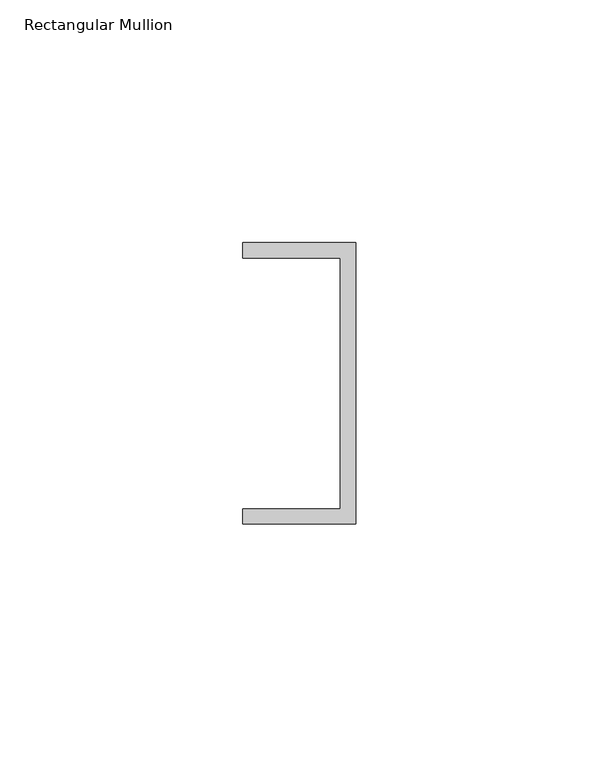
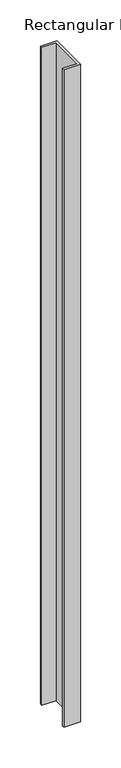
"""IFC4 building model written with IfcOpenShell, lengths in millimetres: member geometry, Rectangular Mullion."""

from ifc_helpers import new_model, si_unit, frame, origin, place, context, project, spatial, polyline, outline, extrude, source, transform, mapped, element, save


def rectangular_mullion_6b0b23d2(model_context):
    return source(origin(), model_context, "Body", "SweptSolid", [
        extrude(outline(polyline([(0.0, 29.0214844), (0.0, -29.0214844), (-23.3164063, -29.0214844), (-23.3164063, -25.8464844), (-3.175, -25.8464844), (-3.175, 25.8464844), (-23.3164063, 25.8464844), (-23.3164063, 29.0214844), (0.0, 29.0214844)])), frame((0.0, 0.0, -988.0203125), z_axis=(0.0, 0.0, 1.0), x_axis=(1.0, 0.0, 0.0)), (0.0, 0.0, 1.0), 988.0203125),
    ])


if __name__ == "__main__":
    model = new_model("IFC4")
    model_context = context("Model", 3, world=origin())
    ifc_project = project(units=[si_unit("LENGTHUNIT", "METRE", prefix="MILLI")], contexts=[model_context])
    site = spatial("IfcSite", under=ifc_project)
    building = spatial("IfcBuilding", under=site)
    placement = place(None, origin())
    rectangular_mullion_shape = rectangular_mullion_6b0b23d2(model_context)
    element("IfcMember", 1, ObjectType="Rectangular Mullion", at=placement, inside=building, context=model_context, shape_type="MappedRepresentation", body=[
        mapped(rectangular_mullion_shape, transform((0.0, 0.0, 0.0), x_axis=(1.0, 0.0, 0.0), y_axis=(0.0, 1.0, 0.0), z_axis=(0.0, 0.0, 1.0))),
    ])
    save(model, "model.ifc")
